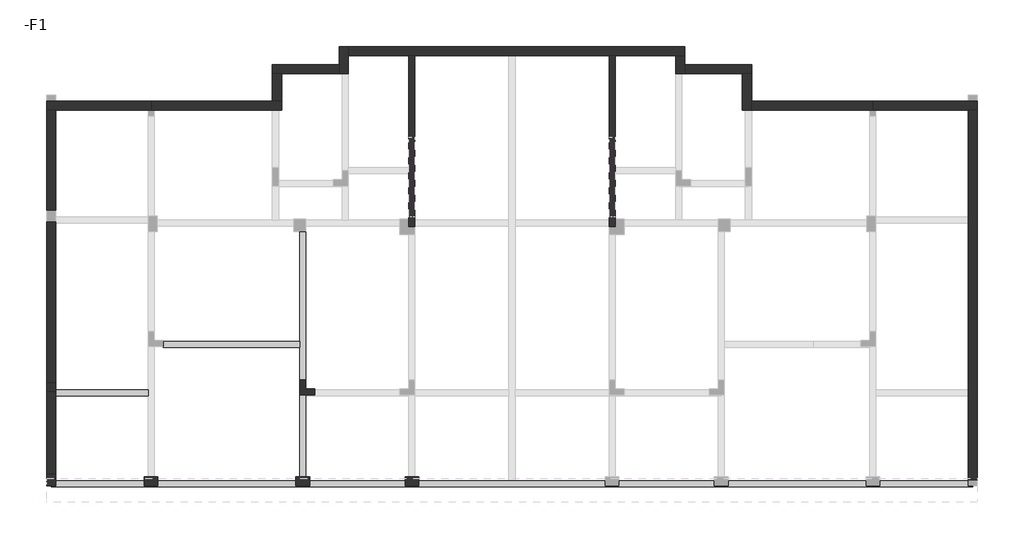
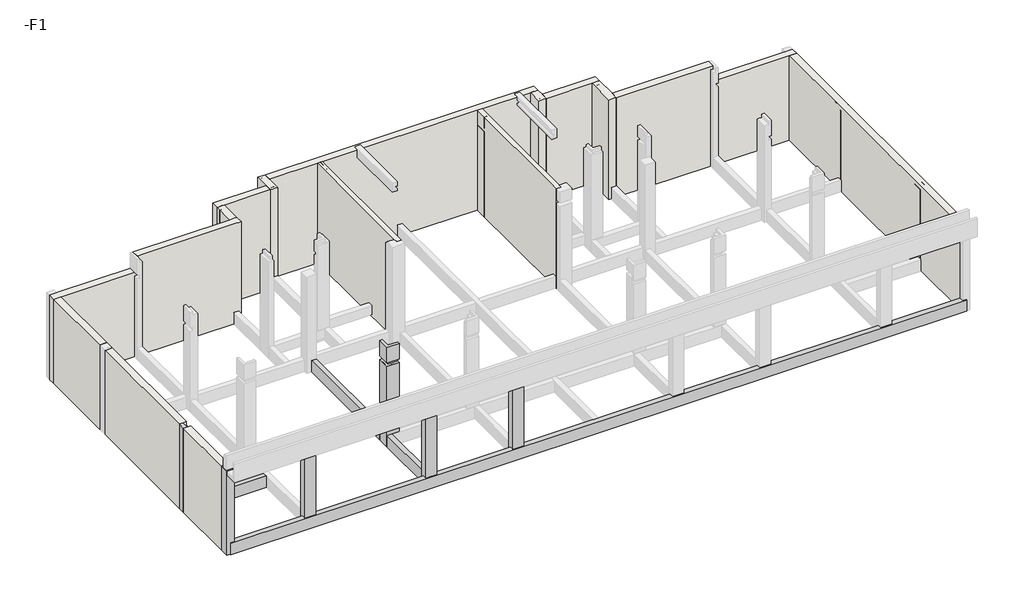
# One storey, part 1 of 4: 17 walls, 9 columns, 4 beams.
"""IFC4 building model written with IfcOpenShell, lengths in millimetres."""

from ifc_helpers import new_model, si_unit, frame, origin, place, context, project, spatial, polyline, outline, extrude, faceted_brep, element, save

model = new_model("IFC4")

# Units and contexts
model_context = context("Model", 3, world=origin())
ifc_project = project(units=[si_unit("LENGTHUNIT", "METRE", prefix="MILLI")], contexts=[model_context])

# Site, building, storey
site = spatial("IfcSite", under=ifc_project)
building = spatial("IfcBuilding", under=site)
storey = spatial("IfcBuildingStorey", under=building, Name="-F1", Elevation=-3900.0)

# Beams
placement = place(None, origin())
element("IfcBeam", 1, at=placement, inside=storey, context=model_context, shape_type="Brep", body=[
    faceted_brep([(-16167.9488808, -1779.2600705, -3900.0), (-16167.9488808, -1579.2600705, -3900.0), (-19217.9488808, -1579.2600705, -3900.0), (-19217.9488808, -1779.2600705, -3900.0), (-16167.9488808, -1779.2600705, -4400.0), (-19217.9488808, -1779.2600705, -4400.0), (-16167.9488808, -1579.2600705, -4400.0), (-19217.9488808, -1648.8070515, -4400.0), (-19217.9488808, -1579.2600705, -4400.0)], [[[0, 1, 2, 3]], [[4, 0, 3, 5]], [[6, 4, 5, 7, 8]], [[1, 6, 8, 2]], [[1, 0, 4, 6]], [[2, 8, 7, 5, 3]]]),
])
element("IfcBeam", 2, at=placement, inside=storey, context=model_context, shape_type="Brep", body=[
    faceted_brep([(-19367.9488808, -4779.254527, -3900.0), (11032.0511192, -4779.254527, -3900.0), (11032.0511192, -4748.812102, -3900.0), (10882.0511192, -4748.812102, -3900.0), (10882.0511192, -4579.254527, -3900.0), (7957.0511192, -4579.254527, -3900.0), (7957.0511192, -4748.8065585, -3900.0), (7507.0511192, -4748.8065585, -3900.0), (7507.0511192, -4579.254527, -3900.0), (2957.0511192, -4579.254527, -3900.0), (2957.0511192, -4748.8065585, -3900.0), (2507.0511192, -4748.8065585, -3900.0), (2507.0511192, -4579.254527, -3900.0), (-642.9488808, -4579.254527, -3900.0), (-642.9488808, -4748.8065585, -3900.0), (-1092.9488808, -4748.8065585, -3900.0), (-1092.9488808, -4579.254527, -3900.0), (-4067.9488808, -4579.254527, -3900.0), (-4267.9488808, -4579.254527, -3900.0), (-7242.9488808, -4579.254527, -3900.0), (-7242.9488808, -4748.8065585, -3900.0), (-7692.9488808, -4748.8065585, -3900.0), (-7692.9488808, -4579.254527, -3900.0), (-10842.9488808, -4579.254527, -3900.0), (-10842.9488808, -4748.8065585, -3900.0), (-11292.9488808, -4748.8065585, -3900.0), (-11292.9488808, -4579.254527, -3900.0), (-15842.9488808, -4579.254527, -3900.0), (-15842.9488808, -4748.8065585, -3900.0), (-16292.9488808, -4748.8065585, -3900.0), (-16292.9488808, -4579.254527, -3900.0), (-19217.9488808, -4579.254527, -3900.0), (-19217.9488808, -4748.812102, -3900.0), (-19367.9488808, -4748.812102, -3900.0), (-19367.9488808, -4779.254527, -4400.0), (11032.0511192, -4779.254527, -4400.0), (-19367.9488808, -4748.812102, -4400.0), (-19217.9488808, -4748.812102, -4400.0), (-19217.9488808, -4579.254527, -4400.0), (-16292.9488808, -4579.254527, -4400.0), (-16292.9488808, -4748.8065585, -4400.0), (-15842.9488808, -4748.8065585, -4400.0), (-15842.9488808, -4579.254527, -4400.0), (-11292.9488808, -4579.254527, -4400.0), (-11292.9488808, -4748.8065585, -4400.0), (-10842.9488808, -4748.8065585, -4400.0), (-10842.9488808, -4579.254527, -4400.0), (-7692.9488808, -4579.254527, -4400.0), (-7692.9488808, -4748.8065585, -4400.0), (-7242.9488808, -4748.8065585, -4400.0), (-7242.9488808, -4579.254527, -4400.0), (-4267.9488808, -4579.254527, -4400.0), (-4067.9488808, -4579.254527, -4400.0), (-1092.9488808, -4579.254527, -4400.0), (-1092.9488808, -4748.8065585, -4400.0), (-642.9488808, -4748.8065585, -4400.0), (-642.9488808, -4579.254527, -4400.0), (2507.0511192, -4579.254527, -4400.0), (2507.0511192, -4748.8065585, -4400.0), (2957.0511192, -4748.8065585, -4400.0), (2957.0511192, -4579.254527, -4400.0), (7507.0511192, -4579.254527, -4400.0), (7507.0511192, -4748.8065585, -4400.0), (7957.0511192, -4748.8065585, -4400.0), (7957.0511192, -4579.254527, -4400.0), (10882.0511192, -4579.254527, -4400.0), (10882.0511192, -4748.812102, -4400.0), (11032.0511192, -4748.812102, -4400.0)], [[[0, 1, 2, 3, 4, 5, 6, 7, 8, 9, 10, 11, 12, 13, 14, 15, 16, 17, 18, 19, 20, 21, 22, 23, 24, 25, 26, 27, 28, 29, 30, 31, 32, 33]], [[1, 0, 34, 35]], [[35, 34, 36, 37, 38, 39, 40, 41, 42, 43, 44, 45, 46, 47, 48, 49, 50, 51, 52, 53, 54, 55, 56, 57, 58, 59, 60, 61, 62, 63, 64, 65, 66, 67]], [[4, 65, 64, 5]], [[37, 32, 31, 38]], [[32, 37, 36, 33]], [[41, 28, 27, 42]], [[28, 41, 40, 29]], [[29, 40, 39, 30]], [[45, 24, 23, 46]], [[24, 45, 44, 25]], [[25, 44, 43, 26]], [[49, 20, 19, 50]], [[20, 49, 48, 21]], [[21, 48, 47, 22]], [[55, 14, 13, 56]], [[14, 55, 54, 15]], [[15, 54, 53, 16]], [[3, 66, 65, 4]], [[66, 3, 2, 67]], [[7, 62, 61, 8]], [[62, 7, 6, 63]], [[63, 6, 5, 64]], [[11, 58, 57, 12]], [[58, 11, 10, 59]], [[59, 10, 9, 60]], [[38, 31, 30, 39]], [[42, 27, 26, 43]], [[46, 23, 22, 47]], [[50, 19, 18, 17, 16, 53, 52, 51]], [[8, 61, 60, 9]], [[56, 13, 12, 57]], [[34, 0, 33, 36]], [[1, 35, 67, 2]]]),
])
element("IfcBeam", 3, at=placement, inside=storey, context=model_context, shape_type="Brep", body=[
    faceted_brep([(-10967.9488808, 3651.1929485, -3900.0), (-11167.9488808, 3651.1929485, -3900.0), (-11167.9488808, 20.74498, -3900.0), (-11167.9488808, -179.25502, -3900.0), (-11167.9488808, -1248.8070515, -3900.0), (-10967.9488808, -1248.8070515, -3900.0), (-10967.9488808, 3651.1929485, -4400.0), (-10967.9488808, -1248.8070515, -4400.0), (-11167.9488808, 3651.1929485, -4400.0), (-11167.9488808, -1248.8070515, -4400.0), (-11167.9488808, -179.25502, -4400.0), (-11167.9488808, 20.74498, -4400.0)], [[[0, 1, 2, 3, 4, 5]], [[6, 0, 5, 7]], [[8, 6, 7, 9, 10, 11]], [[1, 8, 11, 10, 9, 4, 3, 2]], [[1, 0, 6, 8]], [[5, 4, 9, 7]]]),
    faceted_brep([(-10967.9488808, -4448.8065585, -3900.0), (-11167.9488808, -4448.8065585, -3900.0), (-11167.9488808, -4448.8065585, -4400.0), (-10967.9488808, -4448.8065585, -4400.0), (-11167.9488808, -1748.8070515, -3900.0), (-10967.9488808, -1748.8070515, -3900.0), (-10967.9488808, -1748.8070515, -4400.0), (-11167.9488808, -1748.8070515, -4400.0), (-10967.9488808, -1779.255022, -3900.0), (-10967.9488808, -1779.255022, -4400.0)], [[[0, 1, 2, 3]], [[4, 5, 6, 7]], [[1, 0, 8, 5, 4]], [[0, 3, 9, 6, 5, 8]], [[3, 2, 7, 6, 9]], [[2, 1, 4, 7]]]),
])
element("IfcBeam", 4, at=placement, inside=storey, context=model_context, shape_type="SweptSolid", body=[
    extrude(outline(polyline([(-15667.4455487, -179.25502), (-15667.4455487, 20.74498), (-11167.9488808, 20.74498), (-11167.9488808, -179.25502), (-15667.4455487, -179.25502)])), frame((0.0, 0.0, -4400.0), z_axis=(0.0, 0.0, 1.0), x_axis=(1.0, 0.0, 0.0)), (0.0, 0.0, 1.0), 500.0),
])

# Columns
element("IfcColumn", 5, ObjectType="KZ-1", at=placement, inside=storey, context=model_context, shape_type="Brep", body=[
    faceted_brep([(-19217.9488808, -4348.812102, -4400.0), (-19217.9488808, -4579.254527, -4400.0), (-19217.9488808, -4748.812102, -4400.0), (-19367.9488808, -4748.812102, -4400.0), (-19517.9488808, -4748.812102, -4400.0), (-19517.9488808, -4348.812102, -4400.0), (-19217.9488808, -4348.812102, -870.0), (-19217.9488808, -4598.8065585, -870.0), (-19217.9488808, -4598.8065585, -720.0), (-19217.9488808, -4748.812102, -720.0), (-19217.9488808, -4748.812102, -3900.0), (-19517.9488808, -4748.812102, -720.0), (-19517.9488808, -4348.812102, -720.0), (-19367.9488808, -4348.812102, -720.0), (-19367.9488808, -4348.812102, -870.0), (-19367.9488808, -4598.8065585, -720.0), (-19367.9488808, -4598.8065585, -870.0)], [[[0, 1, 2, 3, 4, 5]], [[2, 1, 0, 6, 7, 8, 9, 10]], [[4, 3, 2, 10, 9, 11]], [[5, 4, 11, 12]], [[0, 5, 12, 13, 14, 6]], [[11, 9, 8, 15, 13, 12]], [[16, 7, 6, 14]], [[15, 16, 14, 13]], [[16, 15, 8, 7]]]),
])
element("IfcColumn", 6, ObjectType="KZ-1", at=placement, inside=storey, context=model_context, shape_type="Brep", body=[
    faceted_brep([(-19517.9488808, -1335.148014, -4400.0), (-19217.9488808, -1335.148014, -4400.0), (-19217.9488808, -1579.2600705, -4400.0), (-19217.9488808, -1648.8070515, -4400.0), (-19517.9488808, -1648.8070515, -4400.0), (-19217.9488808, -1335.148014, -870.0), (-19217.9488808, -1648.8070515, -870.0), (-19517.9488808, -1335.148014, -720.0), (-19517.9488808, -1648.8070515, -720.0), (-19367.9488808, -1335.148014, -720.0), (-19367.9488808, -1335.148014, -870.0), (-19367.9488808, -1648.8070515, -720.0), (-19367.9488808, -1648.8070515, -870.0)], [[[0, 1, 2, 3, 4]], [[1, 5, 6, 3, 2]], [[7, 0, 4, 8]], [[1, 0, 7, 9, 10, 5]], [[9, 7, 8, 11]], [[5, 10, 12, 6]], [[10, 9, 11, 12]], [[4, 3, 6, 12, 11, 8]]]),
])
element("IfcColumn", 7, ObjectType="KZ-3", at=placement, inside=storey, context=model_context, shape_type="Brep", body=[
    faceted_brep([(-15842.9488808, -4448.8065585, -4400.0), (-15842.9488808, -4579.254527, -4400.0), (-15842.9488808, -4748.8065585, -4400.0), (-16292.9488808, -4748.8065585, -4400.0), (-16292.9488808, -4579.254527, -4400.0), (-16292.9488808, -4448.8065585, -4400.0), (-16167.9488808, -4448.8065585, -4400.0), (-15967.9488808, -4448.8065585, -4400.0), (-15842.9488808, -4448.8065585, -870.0), (-15842.9488808, -4598.8065585, -870.0), (-15842.9488808, -4598.8065585, -720.0), (-15842.9488808, -4748.8065585, -720.0), (-15842.9488808, -4748.8065585, -3900.0), (-16292.9488808, -4748.8065585, -720.0), (-16292.9488808, -4748.8065585, -3900.0), (-16292.9488808, -4598.8065585, -720.0), (-16292.9488808, -4598.8065585, -870.0), (-16292.9488808, -4448.8065585, -870.0), (-16167.9488808, -4448.8065585, -870.0), (-15967.9488808, -4448.8065585, -870.0)], [[[0, 1, 2, 3, 4, 5, 6, 7]], [[2, 1, 0, 8, 9, 10, 11, 12]], [[3, 2, 12, 11, 13, 14]], [[5, 4, 3, 14, 13, 15, 16, 17]], [[0, 7, 6, 5, 17, 18, 19, 8]], [[13, 11, 10, 15]], [[16, 9, 8, 19, 18, 17]], [[9, 16, 15, 10]]]),
])
element("IfcColumn", 8, ObjectType="KZ-3", at=placement, inside=storey, context=model_context, shape_type="Brep", body=[
    faceted_brep([(-10842.9488808, -4448.8065585, -4400.0), (-10842.9488808, -4579.254527, -4400.0), (-10842.9488808, -4748.8065585, -4400.0), (-11292.9488808, -4748.8065585, -4400.0), (-11292.9488808, -4579.254527, -4400.0), (-11292.9488808, -4448.8065585, -4400.0), (-10842.9488808, -4448.8065585, -870.0), (-10842.9488808, -4598.8065585, -870.0), (-10842.9488808, -4598.8065585, -720.0), (-10842.9488808, -4748.8065585, -720.0), (-10842.9488808, -4748.8065585, -3900.0), (-11292.9488808, -4748.8065585, -720.0), (-11292.9488808, -4748.8065585, -3900.0), (-11292.9488808, -4598.8065585, -720.0), (-11292.9488808, -4598.8065585, -870.0), (-11292.9488808, -4448.8065585, -870.0), (-11167.9488808, -4448.8065585, -870.0), (-10967.9488808, -4448.8065585, -870.0)], [[[0, 1, 2, 3, 4, 5]], [[2, 1, 0, 6, 7, 8, 9, 10]], [[3, 2, 10, 9, 11, 12]], [[5, 4, 3, 12, 11, 13, 14, 15]], [[0, 5, 15, 16, 17, 6]], [[11, 9, 8, 13]], [[14, 7, 6, 17, 16, 15]], [[7, 14, 13, 8]]]),
])
element("IfcColumn", 9, ObjectType="KZ-3", at=placement, inside=storey, context=model_context, shape_type="Brep", body=[
    faceted_brep([(-7242.9488808, -4448.8065585, -4400.0), (-7242.9488808, -4579.254527, -4400.0), (-7242.9488808, -4748.8065585, -4400.0), (-7692.9488808, -4748.8065585, -4400.0), (-7692.9488808, -4579.254527, -4400.0), (-7692.9488808, -4448.8065585, -4400.0), (-7242.9488808, -4448.8065585, -870.0), (-7242.9488808, -4598.8065585, -870.0), (-7242.9488808, -4598.8065585, -720.0), (-7242.9488808, -4748.8065585, -720.0), (-7242.9488808, -4748.8065585, -3900.0), (-7692.9488808, -4748.8065585, -720.0), (-7692.9488808, -4748.8065585, -3900.0), (-7692.9488808, -4598.8065585, -720.0), (-7692.9488808, -4598.8065585, -870.0), (-7692.9488808, -4448.8065585, -870.0), (-7567.9488808, -4448.8065585, -870.0), (-7367.9488808, -4448.8065585, -870.0)], [[[0, 1, 2, 3, 4, 5]], [[2, 1, 0, 6, 7, 8, 9, 10]], [[3, 2, 10, 9, 11, 12]], [[5, 4, 3, 12, 11, 13, 14, 15]], [[0, 5, 15, 16, 17, 6]], [[11, 9, 8, 13]], [[14, 7, 6, 17, 16, 15]], [[7, 14, 13, 8]]]),
])
element("IfcColumn", 10, ObjectType="KZ-3", at=placement, inside=storey, context=model_context, shape_type="Brep", body=[
    faceted_brep([(-10842.9488808, -4448.8065585, -4400.0), (-10842.9488808, -4579.254527, -4400.0), (-10842.9488808, -4748.8065585, -4400.0), (-11292.9488808, -4748.8065585, -4400.0), (-11292.9488808, -4579.254527, -4400.0), (-11292.9488808, -4448.8065585, -4400.0), (-11167.9488808, -4448.8065585, -4400.0), (-10967.9488808, -4448.8065585, -4400.0), (-10842.9488808, -4448.8065585, -870.0), (-10842.9488808, -4598.8065585, -870.0), (-10842.9488808, -4598.8065585, -720.0), (-10842.9488808, -4748.8065585, -720.0), (-10842.9488808, -4748.8065585, -3900.0), (-11292.9488808, -4748.8065585, -720.0), (-11292.9488808, -4748.8065585, -3900.0), (-11292.9488808, -4598.8065585, -720.0), (-11292.9488808, -4598.8065585, -870.0), (-11292.9488808, -4448.8065585, -870.0), (-11167.9488808, -4448.8065585, -870.0), (-10967.9488808, -4448.8065585, -870.0)], [[[0, 1, 2, 3, 4, 5, 6, 7]], [[2, 1, 0, 8, 9, 10, 11, 12]], [[3, 2, 12, 11, 13, 14]], [[5, 4, 3, 14, 13, 15, 16, 17]], [[0, 7, 6, 5, 17, 18, 19, 8]], [[13, 11, 10, 15]], [[16, 9, 8, 19, 18, 17]], [[9, 16, 15, 10]]]),
])
element("IfcColumn", 11, ObjectType="KZ-3", at=placement, inside=storey, context=model_context, shape_type="Brep", body=[
    faceted_brep([(-7242.9488808, -4448.8065585, -4400.0), (-7242.9488808, -4579.254527, -4400.0), (-7242.9488808, -4748.8065585, -4400.0), (-7692.9488808, -4748.8065585, -4400.0), (-7692.9488808, -4579.254527, -4400.0), (-7692.9488808, -4448.8065585, -4400.0), (-7567.9488808, -4448.8065585, -4400.0), (-7367.9488808, -4448.8065585, -4400.0), (-7242.9488808, -4448.8065585, -870.0), (-7242.9488808, -4598.8065585, -870.0), (-7242.9488808, -4598.8065585, -720.0), (-7242.9488808, -4748.8065585, -720.0), (-7242.9488808, -4748.8065585, -3900.0), (-7692.9488808, -4748.8065585, -720.0), (-7692.9488808, -4748.8065585, -3900.0), (-7692.9488808, -4598.8065585, -720.0), (-7692.9488808, -4598.8065585, -870.0), (-7692.9488808, -4448.8065585, -870.0), (-7567.9488808, -4448.8065585, -870.0), (-7367.9488808, -4448.8065585, -870.0)], [[[0, 1, 2, 3, 4, 5, 6, 7]], [[2, 1, 0, 8, 9, 10, 11, 12]], [[3, 2, 12, 11, 13, 14]], [[5, 4, 3, 14, 13, 15, 16, 17]], [[0, 7, 6, 5, 17, 18, 19, 8]], [[13, 11, 10, 15]], [[16, 9, 8, 19, 18, 17]], [[9, 16, 15, 10]]]),
])
element("IfcColumn", 12, ObjectType="KZ-4", at=placement, inside=storey, context=model_context, shape_type="Brep", body=[
    faceted_brep([(-11167.9488808, -1248.8070515, -4400.0), (-10967.9488808, -1248.8070515, -4400.0), (-10967.9488808, -1548.8070515, -4400.0), (-10667.9488808, -1548.8070515, -4400.0), (-10667.9488808, -1748.8070515, -4400.0), (-10967.9488808, -1748.8070515, -4400.0), (-11167.9488808, -1748.8070515, -4400.0), (-11167.9488808, -1248.8070515, -3900.0), (-11167.9488808, -1248.8070515, -870.0), (-11067.9488808, -1248.8070515, -870.0), (-11067.9488808, -1248.8070515, -720.0), (-11167.9488808, -1248.8070515, -720.0), (-11167.9488808, -1248.8070515, -40.0), (-11067.9488808, -1248.8070515, -40.0), (-11067.9488808, -1248.8070515, -190.0), (-10967.9488808, -1248.8070515, -190.0), (-10967.9488808, -1248.8070515, -3900.0), (-10967.9488808, -1548.8070515, -190.0), (-10667.9488808, -1548.8070515, -190.0), (-10667.9488808, -1648.3095768, -190.0), (-10667.9488808, -1648.3095768, -40.0), (-10667.9488808, -1748.8070515, -40.0), (-10667.9488808, -1748.8070515, -720.0), (-10667.9488808, -1649.306805, -720.0), (-10667.9488808, -1649.306805, -870.0), (-10667.9488808, -1748.8070515, -870.0), (-11167.9488808, -1748.8070515, -40.0), (-11167.9488808, -1748.8070515, -720.0), (-11067.9488808, -1648.3095768, -40.0), (-11067.9488808, -1649.306805, -870.0), (-11167.9488808, -1748.8070515, -870.0), (-11067.9488808, -1649.306805, -720.0), (-11167.9488808, -1748.8070515, -3900.0), (-11067.9488808, -1648.3095768, -190.0)], [[[0, 1, 2, 3, 4, 5, 6]], [[1, 0, 7, 8, 9, 10, 11, 12, 13, 14, 15, 16]], [[2, 1, 16, 15, 17]], [[3, 2, 17, 18]], [[4, 3, 18, 19, 20, 21, 22, 23, 24, 25]], [[21, 26, 27, 22]], [[26, 12, 11, 27]], [[26, 21, 20, 28, 13, 12]], [[24, 29, 9, 8, 30, 25]], [[31, 23, 22, 27, 11, 10]], [[29, 31, 10, 9]], [[31, 29, 24, 23]], [[6, 5, 4, 25, 30, 32]], [[0, 6, 32, 30, 8, 7]], [[14, 33, 19, 18, 17, 15]], [[33, 28, 20, 19]], [[28, 33, 14, 13]]]),
])
element("IfcColumn", 13, ObjectType="KZ-4", at=placement, inside=storey, context=model_context, shape_type="Brep", body=[
    faceted_brep([(-11167.9488808, -1248.8070515, -4400.0), (-10967.9488808, -1248.8070515, -4400.0), (-10967.9488808, -1548.8070515, -4400.0), (-10667.9488808, -1548.8070515, -4400.0), (-10667.9488808, -1579.255022, -4400.0), (-10667.9488808, -1748.8070515, -4400.0), (-10967.9488808, -1748.8070515, -4400.0), (-11167.9488808, -1748.8070515, -4400.0), (-11167.9488808, -1248.8070515, -3900.0), (-11167.9488808, -1248.8070515, -890.0), (-11167.9488808, -1248.8070515, -870.0), (-11067.9488808, -1248.8070515, -870.0), (-11067.9488808, -1248.8070515, -720.0), (-11167.9488808, -1248.8070515, -720.0), (-11167.9488808, -1248.8070515, -40.0), (-11067.9488808, -1248.8070515, -40.0), (-11067.9488808, -1248.8070515, -190.0), (-10967.9488808, -1248.8070515, -190.0), (-10967.9488808, -1248.8070515, -890.0), (-10967.9488808, -1248.8070515, -3900.0), (-10967.9488808, -1548.8070515, -190.0), (-10667.9488808, -1548.8070515, -190.0), (-10667.9488808, -1548.8070515, -890.0), (-10667.9488808, -1648.3095768, -190.0), (-10667.9488808, -1648.3095768, -40.0), (-10667.9488808, -1748.8070515, -40.0), (-10667.9488808, -1748.8070515, -720.0), (-10667.9488808, -1649.306805, -720.0), (-10667.9488808, -1649.306805, -870.0), (-10667.9488808, -1748.8070515, -870.0), (-10667.9488808, -1748.8070515, -890.0), (-10667.9488808, -1748.8070515, -3900.0), (-11167.9488808, -1748.8070515, -40.0), (-11167.9488808, -1748.8070515, -720.0), (-11067.9488808, -1648.3095768, -40.0), (-11067.9488808, -1649.306805, -870.0), (-11167.9488808, -1548.8070515, -870.0), (-11167.9488808, -1748.8070515, -870.0), (-10967.9488808, -1748.8070515, -870.0), (-11067.9488808, -1649.306805, -720.0), (-11167.9488808, -1748.8070515, -1220.0), (-11167.9488808, -1748.8070515, -3900.0), (-11067.9488808, -1648.3095768, -190.0)], [[[0, 1, 2, 3, 4, 5, 6, 7]], [[1, 0, 8, 9, 10, 11, 12, 13, 14, 15, 16, 17, 18, 19]], [[2, 1, 19, 18, 17, 20]], [[3, 2, 20, 21, 22]], [[5, 4, 3, 22, 21, 23, 24, 25, 26, 27, 28, 29, 30, 31]], [[25, 32, 33, 26]], [[32, 14, 13, 33]], [[32, 25, 24, 34, 15, 14]], [[28, 35, 11, 10, 36, 37, 38, 29]], [[39, 27, 26, 33, 13, 12]], [[35, 39, 12, 11]], [[39, 35, 28, 27]], [[7, 6, 5, 31, 30, 29, 38, 37, 40, 41]], [[0, 7, 41, 40, 37, 36, 10, 9, 8]], [[16, 42, 23, 21, 20, 17]], [[42, 34, 24, 23]], [[34, 42, 16, 15]]]),
])

# Walls
element("IfcWall", 14, at=placement, inside=storey, context=model_context, shape_type="Brep", body=[
    faceted_brep([(-7567.9488808, 9451.1929646, -4400.0), (-7567.9488808, 4051.1929483, -4400.0), (-7567.9488808, 4020.7399295, -4400.0), (-7567.9488808, 3820.7399295, -4400.0), (-7567.9488808, 3801.1929483, -4400.0), (-7567.9488808, 3801.1929483, -3900.0), (-7567.9488808, 3801.1929483, -40.0), (-7567.9488808, 3951.187898, -40.0), (-7567.9488808, 9451.1929646, -40.0), (-7367.9488808, 9451.1929646, -4400.0), (-7367.9488808, 9451.1929646, -40.0), (-7367.9488808, 4051.187898, -40.0), (-7367.9488808, 3801.1929483, -40.0), (-7367.9488808, 3801.1929483, -3900.0), (-7367.9488808, 3801.1929483, -4400.0), (-7367.9488808, 3820.7399295, -4400.0), (-7367.9488808, 4020.7399295, -4400.0)], [[[0, 1, 2, 3, 4, 5, 6, 7, 8]], [[9, 10, 11, 12, 13, 14, 15, 16]], [[4, 3, 2, 1, 0, 9, 16, 15, 14]], [[6, 5, 4, 14, 13, 12]], [[8, 7, 6, 12, 11, 10]], [[0, 8, 10, 9]]]),
])
element("IfcWall", 15, at=placement, inside=storey, context=model_context, shape_type="Brep", body=[
    faceted_brep([(-967.8766931, 9451.1929646, -4400.0), (-967.8766931, 4020.7399295, -4400.0), (-967.8766931, 3820.7399295, -4400.0), (-967.8766931, 3801.1929483, -4400.0), (-967.8766931, 3801.1929483, -40.0), (-967.8766931, 4051.187898, -40.0), (-967.8766931, 6601.1640579, -40.0), (-967.8766931, 6901.1640579, -40.0), (-967.8766931, 8951.187898, -40.0), (-967.8766931, 9451.1929646, -40.0), (-767.8766931, 9451.1929646, -4400.0), (-767.8766931, 9451.1929646, -40.0), (-767.8766931, 8951.187898, -40.0), (-767.8766931, 6901.1640579, -40.0), (-767.8766931, 6601.1640579, -40.0), (-767.8766931, 3951.187898, -40.0), (-767.8766931, 3801.1929483, -40.0), (-767.8766931, 3801.1929483, -520.0), (-767.8766931, 3801.1929483, -670.0), (-767.8766931, 3801.1929483, -4400.0), (-767.8766931, 4051.1929483, -4400.0)], [[[0, 1, 2, 3, 4, 5, 6, 7, 8, 9]], [[10, 11, 12, 13, 14, 15, 16, 17, 18, 19, 20]], [[3, 2, 1, 0, 10, 20, 19]], [[4, 3, 19, 18, 17, 16]], [[9, 8, 7, 6, 5, 4, 16, 15, 14, 13, 12, 11]], [[0, 9, 11, 10]]]),
])
element("IfcWall", 16, ObjectType="WQ1", at=placement, inside=storey, context=model_context, shape_type="Brep", body=[
    faceted_brep([(-19217.9488808, -4348.812102, -4400.0), (-19217.9488808, -1779.2600705, -4400.0), (-19217.9488808, -1648.8070515, -4400.0), (-19217.9488808, -1648.8070515, -870.0), (-19217.9488808, -1648.8070515, -720.0), (-19217.9488808, -4348.812102, -720.0), (-19217.9488808, -4348.812102, -870.0), (-19517.9488808, -4348.812102, -4400.0), (-19517.9488808, -4348.812102, -720.0), (-19517.9488808, -1648.8070515, -720.0), (-19517.9488808, -1648.8070515, -4400.0), (-19367.9488808, -1648.8070515, -720.0), (-19367.9488808, -4348.812102, -720.0)], [[[0, 1, 2, 3, 4, 5, 6]], [[7, 8, 9, 10]], [[2, 1, 0, 7, 10]], [[4, 3, 2, 10, 9, 11]], [[5, 4, 11, 9, 8, 12]], [[0, 6, 5, 12, 8, 7]]]),
])
element("IfcWall", 17, ObjectType="WQ1", at=placement, inside=storey, context=model_context, shape_type="Brep", body=[
    faceted_brep([(-19517.9488808, 7651.192951, -4400.0), (-19217.9488808, 7651.192951, -4400.0), (-16167.9082317, 7651.192951, -4400.0), (-16067.9488808, 7651.192951, -4400.0), (-16067.9488808, 7651.192951, -720.0), (-19217.9488808, 7651.192951, -720.0), (-19517.9488808, 7651.192951, -720.0), (-19517.9488808, 7951.192951, -4400.0), (-19517.9488808, 7951.192951, -720.0), (-19217.9377846, 7951.192951, -720.0), (-16067.9488808, 7951.192951, -720.0), (-16067.9488808, 7951.192951, -4400.0), (-19217.9377846, 7951.192951, -4400.0)], [[[0, 1, 2, 3, 4, 5, 6]], [[7, 8, 9, 10, 11, 12]], [[3, 2, 1, 0, 7, 12, 11]], [[4, 3, 11, 10]], [[6, 5, 4, 10, 9, 8]], [[0, 6, 8, 7]]]),
])
element("IfcWall", 18, ObjectType="WQ1", at=placement, inside=storey, context=model_context, shape_type="Brep", body=[
    faceted_brep([(-12067.91002, 8851.1979012, -4400.0), (-11867.9488808, 8851.1979012, -4400.0), (-11767.91002, 8851.1979012, -4400.0), (-9867.9488808, 8851.1979012, -4400.0), (-9867.9488808, 8851.1979012, -40.0), (-11767.91002, 8851.1979012, -40.0), (-11867.9488808, 8851.1979012, -40.0), (-12067.91002, 8851.1979012, -40.0), (-12067.91002, 9151.1979012, -4400.0), (-12067.91002, 9151.1979012, -40.0), (-11567.9488808, 9151.1979012, -40.0), (-9867.9488808, 9151.1979012, -40.0), (-9867.9488808, 9151.1979012, -4400.0)], [[[0, 1, 2, 3, 4, 5, 6, 7]], [[8, 9, 10, 11, 12]], [[3, 2, 1, 0, 8, 12]], [[7, 6, 5, 4, 11, 10, 9]], [[0, 7, 9, 8]], [[4, 3, 12, 11]]]),
])
element("IfcWall", 19, ObjectType="WQ1", at=placement, inside=storey, context=model_context, shape_type="Brep", body=[
    faceted_brep([(-9567.9488808, 9451.1929646, -4400.0), (-7567.9488808, 9451.1929646, -4400.0), (-7367.9488808, 9451.1929646, -4400.0), (-4267.9488808, 9451.1929646, -4400.0), (-4067.9488808, 9451.1929646, -4400.0), (-967.8766931, 9451.1929646, -4400.0), (-767.8766931, 9451.1929646, -4400.0), (1232.0141323, 9451.1929646, -4400.0), (1432.0511192, 9451.1929646, -4400.0), (1532.0141323, 9451.1929646, -4400.0), (1532.0141323, 9451.1929646, -40.0), (1432.0511192, 9451.1929646, -40.0), (1332.0511192, 9451.1929646, -40.0), (1232.0141323, 9451.1929646, -40.0), (-767.8766931, 9451.1929646, -40.0), (-867.9488808, 9451.1929646, -40.0), (-967.8766931, 9451.1929646, -40.0), (-7367.9488808, 9451.1929646, -40.0), (-7467.9488808, 9451.1929646, -40.0), (-7567.9488808, 9451.1929646, -40.0), (-9567.9488808, 9451.1929646, -40.0), (-9567.9488808, 9751.1929646, -4400.0), (-9567.9488808, 9751.1929646, -40.0), (1532.0141323, 9751.1929646, -40.0), (1532.0141323, 9751.1929646, -4400.0), (-9567.9488808, 9651.187898, -4400.0), (-9567.9488808, 9651.187898, -40.0), (-9567.9488808, 9551.187898, -40.0)], [[[0, 1, 2, 3, 4, 5, 6, 7, 8, 9, 10, 11, 12, 13, 14, 15, 16, 17, 18, 19, 20]], [[21, 22, 23, 24]], [[9, 8, 7, 6, 5, 4, 3, 2, 1, 0, 25, 21, 24]], [[20, 19, 18, 17, 16, 15, 14, 13, 12, 11, 10, 23, 22, 26, 27]], [[10, 9, 24, 23]], [[0, 20, 27, 26, 22, 21, 25]]]),
])
element("IfcWall", 20, ObjectType="WQ1", at=placement, inside=storey, context=model_context, shape_type="Brep", body=[
    faceted_brep([(1232.0141323, 9451.1929646, -4400.0), (1232.0141323, 8851.1979011, -4400.0), (1232.0141323, 8851.1979011, -40.0), (1232.0141323, 9451.1929646, -40.0), (1532.0141323, 9451.1929646, -4400.0), (1532.0141323, 9451.1929646, -40.0), (1532.0141323, 9151.1979011, -40.0), (1532.0141323, 8851.1979011, -40.0), (1532.0141323, 8851.1979011, -4400.0), (1532.0141323, 9151.1979011, -4400.0), (1432.0511192, 8851.1979011, -4400.0), (1332.0511192, 8851.1979011, -40.0), (1432.0511192, 8851.1979011, -40.0)], [[[0, 1, 2, 3]], [[4, 5, 6, 7, 8, 9]], [[1, 0, 4, 9, 8, 10]], [[3, 2, 11, 12, 7, 6, 5]], [[0, 3, 5, 4]], [[2, 1, 10, 8, 7, 12, 11]]]),
])
element("IfcWall", 21, ObjectType="WQ1", at=placement, inside=storey, context=model_context, shape_type="Brep", body=[
    faceted_brep([(1532.0141323, 8851.1979011, -4400.0), (3432.0158974, 8851.1979011, -4400.0), (3532.0511192, 8851.1979011, -4400.0), (3732.0158974, 8851.1979011, -4400.0), (3732.0158974, 8851.1979011, -40.0), (3532.0511192, 8851.1979011, -40.0), (3432.0158974, 8851.1979011, -40.0), (1532.0141323, 8851.1979011, -40.0), (1532.0141323, 9151.1979011, -4400.0), (1532.0141323, 9151.1979011, -40.0), (3232.0511192, 9151.1979011, -40.0), (3732.0158974, 9151.1979011, -40.0), (3732.0158974, 9151.1979011, -4400.0)], [[[0, 1, 2, 3, 4, 5, 6, 7]], [[8, 9, 10, 11, 12]], [[3, 2, 1, 0, 8, 12]], [[7, 6, 5, 4, 11, 10, 9]], [[0, 7, 9, 8]], [[4, 3, 12, 11]]]),
])
element("IfcWall", 22, ObjectType="WQ1", at=placement, inside=storey, context=model_context, shape_type="Brep", body=[
    faceted_brep([(3432.0158974, 8851.1979011, -4400.0), (3432.0158974, 7651.1929484, -4400.0), (3432.0158974, 7651.1929484, -40.0), (3432.0158974, 8851.1979011, -40.0), (3732.0158974, 8851.1979011, -4400.0), (3732.0158974, 8851.1979011, -40.0), (3732.0158974, 7951.1929484, -40.0), (3732.0158974, 7651.1929484, -40.0), (3732.0158974, 7651.1929484, -4400.0), (3732.0158974, 7951.1929484, -4400.0), (3532.0511192, 7651.1929484, -40.0), (3631.9789316, 7651.1929484, -40.0)], [[[0, 1, 2, 3]], [[4, 5, 6, 7, 8, 9]], [[1, 0, 4, 9, 8]], [[3, 2, 10, 11, 7, 6, 5]], [[0, 3, 5, 4]], [[2, 1, 8, 7, 11, 10]]]),
])
element("IfcWall", 23, ObjectType="WQ1", at=placement, inside=storey, context=model_context, shape_type="Brep", body=[
    faceted_brep([(3732.0158974, 7651.1929484, -4400.0), (7632.0104701, 7651.1929484, -4400.0), (7732.0511192, 7651.1929484, -4400.0), (7732.0511192, 7651.1929484, -870.0), (7732.0511192, 7651.1929484, -720.0), (7732.0511192, 7651.1929484, -190.0), (7732.0511192, 7651.1929484, -40.0), (3732.0158974, 7651.1929484, -40.0), (3732.0158974, 7951.1929484, -4400.0), (3732.0158974, 7951.1929484, -40.0), (7732.0511192, 7951.1929484, -40.0), (7732.0511192, 7951.1929484, -720.0), (7732.0511192, 7951.1929484, -4400.0)], [[[0, 1, 2, 3, 4, 5, 6, 7]], [[8, 9, 10, 11, 12]], [[2, 1, 0, 8, 12]], [[6, 5, 4, 3, 2, 12, 11, 10]], [[7, 6, 10, 9]], [[0, 7, 9, 8]]]),
])
element("IfcWall", 24, ObjectType="WQ1", at=placement, inside=storey, context=model_context, shape_type="Brep", body=[
    faceted_brep([(10882.0511192, 7651.1929484, -4400.0), (10882.0511192, 4120.7449801, -4400.0), (10882.0511192, 3920.7449801, -4400.0), (10882.0511192, -1579.2600705, -4400.0), (10882.0511192, -1779.2600705, -4400.0), (10882.0511192, -4548.812102, -4400.0), (10882.0511192, -4548.812102, -870.0), (10882.0511192, -4548.812102, -720.0), (10882.0511192, 4051.187898, -720.0), (10882.0511192, 4151.187898, -720.0), (10882.0511192, 7651.1929484, -720.0), (11182.0511192, 7651.1929484, -4400.0), (11182.0511192, 7651.1929484, -720.0), (11182.0511192, -4548.812102, -720.0), (11182.0511192, -4548.812102, -4400.0), (11032.0511192, -4548.812102, -720.0)], [[[0, 1, 2, 3, 4, 5, 6, 7, 8, 9, 10]], [[11, 12, 13, 14]], [[5, 4, 3, 2, 1, 0, 11, 14]], [[7, 6, 5, 14, 13, 15]], [[10, 9, 8, 7, 15, 13, 12]], [[0, 10, 12, 11]]]),
])
element("IfcWall", 25, ObjectType="WQ1", at=placement, inside=storey, context=model_context, shape_type="SweptSolid", body=[
    extrude(outline(polyline([(-19217.9488808, 7651.192951), (-19217.9488808, 4351.1929535), (-19517.9488808, 4351.1929535), (-19517.9488808, 7651.192951), (-19217.9488808, 7651.192951)])), frame((0.0, 0.0, -4400.0), z_axis=(0.0, 0.0, 1.0), x_axis=(1.0, 0.0, 0.0)), (0.0, 0.0, 1.0), 3680.0),
])
element("IfcWall", 26, ObjectType="WQ1", at=placement, inside=storey, context=model_context, shape_type="Brep", body=[
    faceted_brep([(-19217.9488808, -1335.148014, -720.0), (-19217.9488808, -1335.148014, -870.0), (-19217.9488808, -1335.148014, -4400.0), (-19217.9488808, 3920.739838, -4400.0), (-19217.9488808, 3961.192951, -4400.0), (-19217.9488808, 3961.192951, -720.0), (-19517.9488808, -1335.148014, -720.0), (-19517.9488808, 3961.192951, -720.0), (-19517.9488808, 3961.192951, -4400.0), (-19517.9488808, -1335.148014, -4400.0), (-19367.9488808, 3961.192951, -720.0), (-19367.9488808, -1335.148014, -720.0)], [[[0, 1, 2, 3, 4, 5]], [[6, 7, 8, 9]], [[5, 4, 8, 7, 10]], [[4, 3, 2, 9, 8]], [[2, 1, 0, 11, 6, 9]], [[0, 5, 10, 7, 6, 11]]]),
])
element("IfcWall", 27, ObjectType="WQ1", at=placement, inside=storey, context=model_context, shape_type="SweptSolid", body=[
    extrude(outline(polyline([(-11767.91002, 8851.1979012), (-11767.91002, 7951.192951), (-12067.91002, 7951.192951), (-12067.91002, 8851.1979012), (-11767.91002, 8851.1979012)])), frame((0.0, 0.0, -4400.0), z_axis=(0.0, 0.0, 1.0), x_axis=(1.0, 0.0, 0.0)), (0.0, 0.0, 1.0), 4360.0),
])
element("IfcWall", 28, ObjectType="WQ1", at=placement, inside=storey, context=model_context, shape_type="Brep", body=[
    faceted_brep([(-9567.9488808, 8851.1979012, -4400.0), (-9567.9488808, 9451.1929646, -4400.0), (-9567.9488808, 9751.1929646, -4400.0), (-9567.9488808, 9751.1929646, -40.0), (-9567.9488808, 9451.1929646, -40.0), (-9567.9488808, 8951.187898, -40.0), (-9567.9488808, 8851.1979012, -40.0), (-9567.9488808, 8851.1979012, -140.0), (-9567.9488808, 8851.1979012, -640.0), (-9567.9488808, 8851.1979012, -3900.0), (-9867.9488808, 8851.1979012, -4400.0), (-9867.9488808, 8851.1979012, -40.0), (-9867.9488808, 9151.1979012, -40.0), (-9867.9488808, 9751.1929646, -40.0), (-9867.9488808, 9751.1929646, -4400.0), (-9867.9488808, 9151.1979012, -4400.0), (-9767.9488808, 8851.1979012, -4400.0), (-9767.9488808, 8851.1979012, -40.0), (-9667.9488808, 8851.1979012, -40.0)], [[[0, 1, 2, 3, 4, 5, 6, 7, 8, 9]], [[10, 11, 12, 13, 14, 15]], [[2, 1, 0, 16, 10, 15, 14]], [[6, 5, 4, 3, 13, 12, 11, 17, 18]], [[0, 9, 8, 7, 6, 18, 17, 11, 10, 16]], [[3, 2, 14, 13]]]),
])
element("IfcWall", 29, ObjectType="WQ1", at=placement, inside=storey, context=model_context, shape_type="Brep", body=[
    faceted_brep([(7732.0511192, 7651.1929484, -4400.0), (7832.0104701, 7651.1929484, -4400.0), (10882.0511192, 7651.1929484, -4400.0), (11182.0511192, 7651.1929484, -4400.0), (11182.0511192, 7651.1929484, -720.0), (10882.0511192, 7651.1929484, -720.0), (7732.0511192, 7651.1929484, -720.0), (7732.0511192, 7951.1929484, -4400.0), (7732.0511192, 7951.1929484, -720.0), (7832.0104701, 7951.1929484, -720.0), (10882.040023, 7951.1929484, -720.0), (11182.0511192, 7951.1929484, -720.0), (11182.0511192, 7951.1929484, -4400.0), (10882.040023, 7951.1929484, -4400.0)], [[[0, 1, 2, 3, 4, 5, 6]], [[7, 8, 9, 10, 11, 12, 13]], [[3, 2, 1, 0, 7, 13, 12]], [[6, 5, 4, 11, 10, 9, 8]], [[0, 6, 8, 7]], [[4, 3, 12, 11]]]),
])
element("IfcWall", 30, ObjectType="WQ1", at=placement, inside=storey, context=model_context, shape_type="Brep", body=[
    faceted_brep([(-16067.9488808, 7651.192951, -4400.0), (-15967.9082317, 7651.192951, -4400.0), (-12067.9488808, 7651.192951, -4400.0), (-11867.9488808, 7651.192951, -4400.0), (-11767.91002, 7651.192951, -4400.0), (-11767.91002, 7651.192951, -40.0), (-11867.9488808, 7651.192951, -40.0), (-11967.9488808, 7651.192951, -40.0), (-16067.9488808, 7651.192951, -40.0), (-16067.9488808, 7651.192951, -190.0), (-16067.9488808, 7651.192951, -720.0), (-16067.9488808, 7651.192951, -870.0), (-16067.9488808, 7951.192951, -4400.0), (-16067.9488808, 7951.192951, -720.0), (-16067.9488808, 7951.192951, -40.0), (-12067.91002, 7951.192951, -40.0), (-11867.9488808, 7951.192951, -40.0), (-11767.91002, 7951.192951, -40.0), (-11767.91002, 7951.192951, -4400.0), (-12067.91002, 7951.192951, -4400.0)], [[[0, 1, 2, 3, 4, 5, 6, 7, 8, 9, 10, 11]], [[12, 13, 14, 15, 16, 17, 18, 19]], [[4, 3, 2, 1, 0, 12, 19, 18]], [[8, 7, 6, 5, 17, 16, 15, 14]], [[0, 11, 10, 9, 8, 14, 13, 12]], [[5, 4, 18, 17]]]),
])

save(model, "model.ifc")
